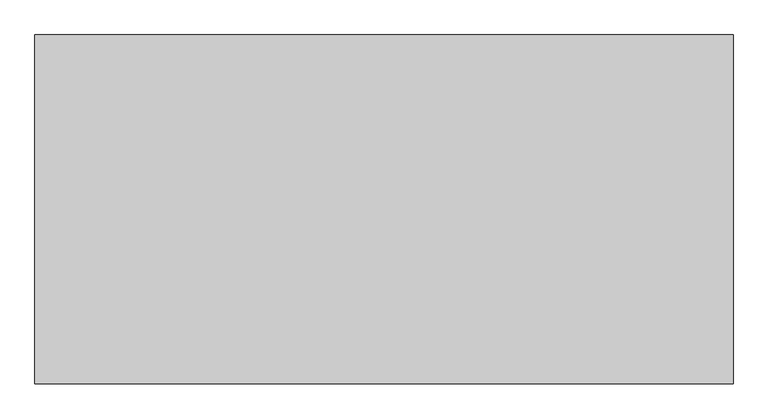
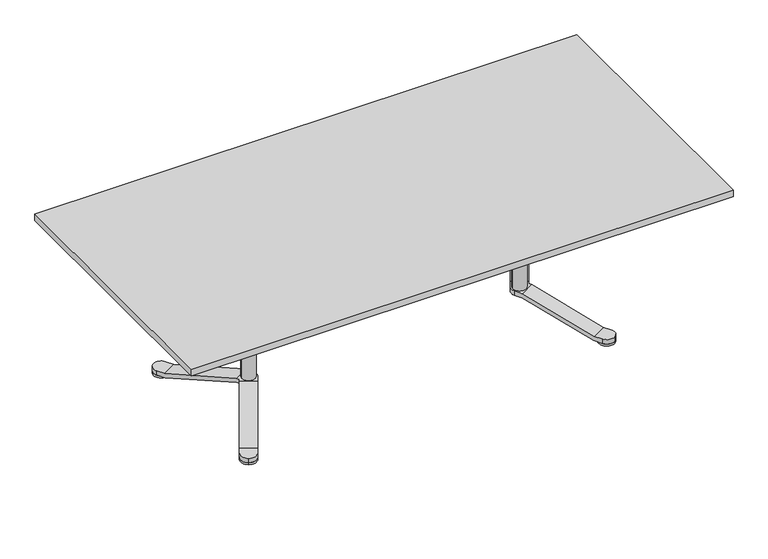
"""IFC4 building model written with IfcOpenShell, lengths in millimetres: furniture geometry."""

from ifc_helpers import new_model, si_unit, point, frame, frame_2d, origin, origin_with_axes, place, context, project, spatial, polyline, circle_curve, ellipse_curve, trimmed, segment, composite_curve, outline, extrude, source, transform, mapped, element, save
from ifc_brep_helpers import plane_surface, cylinder_surface, advanced_brep


def furniture_f56a6013(model_context):
    return source(origin(), model_context, "Body", "SolidModel", [
        advanced_brep(
        [(-373.9430973, -35.0, 695.0), (-335.0, -35.0, 695.0), (-300.0, 0.0, 695.0), (-335.0, 35.0, 695.0), (-373.9430973, 35.0, 695.0), (-370.0, -35.0, 675.0), (-370.0, 35.0, 675.0), (-335.0, 35.0, 675.0), (-300.0, 0.0, 675.0), (-335.0, -35.0, 675.0), (-568.9430973, 35.0, 615.0), (-568.9430973, 16.1390456, 615.0), (-565.0, 0.0, 616.6176809), (-568.9430973, -16.1390456, 615.0), (-568.9430973, -35.0, 615.0), (-565.0, -35.0, 595.0), (-565.0, 35.0, 595.0), (-565.0, 0.0, 619.0), (-635.0, 0.0, 619.0), (-635.0, 0.0, 615.0), (-629.5052748, -18.8265439, 615.0), (-601.5516279, -34.9655895, 615.0), (-601.5516279, 34.9655895, 615.0), (-629.5052748, 18.8265439, 615.0), (-579.7927406, -35.0, 615.0), (-579.7927406, -35.0, 595.0), (-579.7927406, 35.0, 595.0), (-579.7927406, 35.0, 615.0), (-585.2175622, -44.3960667, 615.0), (-585.2175622, 44.3960667, 615.0), (-645.8393405, 9.3960667, 615.0), (-640.4145188, 0.0, 615.0), (-645.8393405, -9.3960667, 615.0), (-587.1891109, -47.8108891, 595.0), (-647.8108891, -12.8108891, 595.0), (-640.4145188, 0.0, 595.0), (-647.8108891, 12.8108891, 595.0), (-587.1891109, 47.8108891, 595.0), (-682.7175622, 213.2710205, 695.0), (-702.1891109, 246.996732, 695.0), (-750.0, 259.8076211, 695.0), (-762.8108891, 211.996732, 695.0), (-743.3393405, 178.2710205, 695.0), (-684.6891109, 216.6858429, 675.0), (-745.3108891, 181.6858429, 675.0), (-762.8108891, 211.996732, 675.0), (-750.0, 259.8076211, 675.0), (-702.1891109, 246.996732, 675.0), (-750.0, -259.8076211, 695.0), (-702.1891109, -246.996732, 695.0), (-682.7175622, -213.2710205, 695.0), (-743.3393405, -178.2710205, 695.0), (-762.8108891, -211.996732, 695.0), (-750.0, -259.8076211, 675.0), (-762.8108891, -211.996732, 675.0), (-745.3108891, -181.6858429, 675.0), (-684.6891109, -216.6858429, 675.0), (-702.1891109, -246.996732, 675.0)],
        [
            (0, 1),
            (1, 2, circle_curve(frame((-335.0, 0.0, 695.0), z_axis=(0.0, 0.0, 1.0), x_axis=(-1.0, 0.0, 0.0)), 35.0)),
            (2, 3, circle_curve(frame((-335.0, 0.0, 695.0), z_axis=(0.0, 0.0, 1.0), x_axis=(-1.0, 0.0, 0.0)), 35.0)),
            (3, 4),
            (4, 0),
            (5, 6),
            (6, 7),
            (7, 8, circle_curve(frame((-335.0, 0.0, 675.0), z_axis=(0.0, 0.0, -1.0), x_axis=(-1.0, 0.0, 0.0)), 35.0)),
            (8, 9, circle_curve(frame((-335.0, 0.0, 675.0), z_axis=(0.0, 0.0, -1.0), x_axis=(-1.0, 0.0, 0.0)), 35.0)),
            (9, 5),
            (1, 9),
            (8, 2),
            (7, 3),
            (4, 10),
            (10, 11),
            (11, 12, ellipse_curve(frame((-600.0, 0.0, 602.2587066), z_axis=(0.37955635625630724, 0.0, -0.9251686183747454), x_axis=(0.9251686183747455, 0.0, 0.37955635625630696)), 37.8309416, 35.0)),
            (12, 13, ellipse_curve(frame((-600.0, 0.0, 602.2587066), z_axis=(0.37955635625630724, 0.0, -0.9251686183747454), x_axis=(0.9251686183747455, 0.0, 0.37955635625630696)), 37.8309416, 35.0)),
            (13, 14),
            (14, 0),
            (5, 15),
            (15, 16),
            (16, 6),
            (17, 18, circle_curve(frame((-600.0, 0.0, 619.0), z_axis=(0.0, 0.0, 1.0), x_axis=(-1.0, 0.0, 0.0)), 35.0)),
            (18, 17, circle_curve(frame((-600.0, 0.0, 619.0), z_axis=(0.0, 0.0, 1.0), x_axis=(-1.0, 0.0, 0.0)), 35.0)),
            (18, 19),
            (19, 20, circle_curve(frame((-600.0, 0.0, 615.0), z_axis=(0.0, 0.0, 1.0), x_axis=(-1.0, 0.0, 0.0)), 35.0)),
            (20, 21, ellipse_curve(frame((-600.0, 0.0, 602.2587066), z_axis=(0.18977817812817024, 0.32870544668580903, 0.9251686183747454), x_axis=(-0.46258430918741966, -0.8012195262966529, 0.37955635625630724)), 37.8309416, 35.0)),
            (21, 13, circle_curve(frame((-600.0, 0.0, 615.0), z_axis=(0.0, 0.0, 1.0), x_axis=(-1.0, 0.0, 0.0)), 35.0)),
            (12, 17),
            (11, 22, circle_curve(frame((-600.0, 0.0, 615.0), z_axis=(0.0, 0.0, 1.0), x_axis=(-1.0, 0.0, 0.0)), 35.0)),
            (22, 23, ellipse_curve(frame((-600.0, 0.0, 602.2587066), z_axis=(0.18977817812813838, -0.3287054466858273, 0.9251686183747454), x_axis=(-0.4625843091873421, 0.8012195262966977, 0.3795563562563073)), 37.8309416, 35.0)),
            (23, 19, circle_curve(frame((-600.0, 0.0, 615.0), z_axis=(0.0, 0.0, 1.0), x_axis=(-1.0, 0.0, 0.0)), 35.0)),
            (14, 24),
            (24, 25),
            (25, 15),
            (16, 26),
            (26, 27),
            (27, 10),
            (21, 28),
            (28, 24),
            (27, 29),
            (29, 22),
            (30, 31),
            (31, 32),
            (32, 20),
            (23, 30),
            (25, 33),
            (33, 34),
            (34, 35),
            (35, 36),
            (36, 37),
            (37, 26),
            (38, 39),
            (39, 40, circle_curve(frame((-732.5, 229.496732, 695.0), z_axis=(0.0, 0.0, 1.0), x_axis=(0.5000000000000033, -0.8660254037844368, 0.0)), 35.0)),
            (40, 41, circle_curve(frame((-732.5, 229.496732, 695.0), z_axis=(0.0, 0.0, 1.0), x_axis=(0.5000000000000033, -0.8660254037844368, 0.0)), 35.0)),
            (41, 42),
            (42, 38),
            (43, 44),
            (44, 45),
            (45, 46, circle_curve(frame((-732.5, 229.496732, 675.0), z_axis=(0.0, 0.0, -1.0), x_axis=(0.5000000000000033, -0.8660254037844368, 0.0)), 35.0)),
            (46, 47, circle_curve(frame((-732.5, 229.496732, 675.0), z_axis=(0.0, 0.0, -1.0), x_axis=(0.5000000000000033, -0.8660254037844368, 0.0)), 35.0)),
            (47, 43),
            (39, 47),
            (46, 40),
            (45, 41),
            (42, 30),
            (29, 38),
            (43, 37),
            (36, 44),
            (35, 31),
            (48, 49, circle_curve(frame((-732.5, -229.496732, 695.0), z_axis=(0.0, 0.0, 1.0), x_axis=(0.4999999999999982, 0.8660254037844397, 0.0)), 35.0)),
            (49, 50),
            (50, 51),
            (51, 52),
            (52, 48, circle_curve(frame((-732.5, -229.496732, 695.0), z_axis=(0.0, 0.0, 1.0), x_axis=(0.4999999999999982, 0.8660254037844397, 0.0)), 35.0)),
            (53, 54, circle_curve(frame((-732.5, -229.496732, 675.0), z_axis=(0.0, 0.0, -1.0), x_axis=(0.4999999999999982, 0.8660254037844397, 0.0)), 35.0)),
            (54, 55),
            (55, 56),
            (56, 57),
            (57, 53, circle_curve(frame((-732.5, -229.496732, 675.0), z_axis=(0.0, 0.0, -1.0), x_axis=(0.4999999999999982, 0.8660254037844397, 0.0)), 35.0)),
            (52, 54),
            (53, 48),
            (57, 49),
            (50, 28),
            (32, 51),
            (55, 34),
            (33, 56),
        ],
        [
            plane_surface(frame((-370.0, 0.0, 695.0), z_axis=(0.0, 0.0, 1.0), x_axis=(0.0, 1.0, 0.0))),
            plane_surface(frame((-370.0, 0.0, 675.0), z_axis=(0.0, 0.0, -1.0), x_axis=(0.0, -1.0, 0.0))),
            cylinder_surface(frame((-335.0, 0.0, 675.0), z_axis=(0.0, 0.0, 1.0), x_axis=(-1.0, 0.0, 0.0)), 35.0),
            plane_surface(frame((-373.9430973, -35.0, 695.0), z_axis=(-0.37955635625630724, 0.0, 0.9251686183747454), x_axis=(-0.9251686183747454, 0.0, -0.37955635625630724))),
            plane_surface(frame((-370.0, 35.0, 675.0), z_axis=(0.37955635625630724, 0.0, -0.9251686183747454), x_axis=(-0.9251686183747454, 0.0, -0.37955635625630724))),
            plane_surface(frame((-635.0, 0.0, 619.0), z_axis=(0.0, 0.0, 1.0), x_axis=(0.0, 1.0, 0.0))),
            cylinder_surface(frame((-600.0, 0.0, 595.0), z_axis=(0.0, 0.0, 1.0), x_axis=(-1.0, 0.0, 0.0)), 35.0),
            plane_surface(frame((-335.0, -35.0, 675.0), z_axis=(0.0, -1.0, 0.0), x_axis=(-1.0, 0.0, 0.0))),
            plane_surface(frame((-335.0, 35.0, 695.0), z_axis=(0.0, 1.0, 0.0), x_axis=(-1.0, 0.0, 0.0))),
            plane_surface(frame((-568.9430973, -35.0, 615.0), z_axis=(0.0, 0.0, 1.0), x_axis=(-1.0, 0.0, 0.0))),
            plane_surface(frame((-565.0, 35.0, 595.0), z_axis=(0.0, 0.0, -1.0), x_axis=(-1.0, 0.0, 0.0))),
            plane_surface(frame((-715.0, 199.1858429, 695.0), z_axis=(0.0, 0.0, 1.0000000000000002), x_axis=(-0.8660254037844368, -0.5000000000000033, 0.0))),
            plane_surface(frame((-715.0, 199.1858429, 675.0), z_axis=(0.0, 0.0, -1.0000000000000002), x_axis=(0.8660254037844368, 0.5000000000000033, 0.0))),
            cylinder_surface(frame((-732.5, 229.496732, 675.0), z_axis=(0.0, 0.0, 1.0000000000000002), x_axis=(0.5000000000000033, -0.8660254037844368, 0.0)), 35.0),
            plane_surface(frame((-682.7175622, 213.2710205, 695.0), z_axis=(0.18977817812813838, -0.3287054466858273, 0.9251686183747454), x_axis=(0.46258430918737786, -0.8012195262966771, -0.379556356256307))),
            plane_surface(frame((-745.3108891, 181.6858429, 675.0), z_axis=(-0.18977817812813805, 0.32870544668582763, -0.9251686183747454), x_axis=(0.46258430918737803, -0.801219526296677, -0.3795563562563071))),
            plane_surface(frame((-702.1891109, 246.996732, 675.0), z_axis=(0.8660254037844353, 0.500000000000006, 0.0), x_axis=(0.500000000000006, -0.8660254037844353, 0.0))),
            plane_surface(frame((-762.8108891, 211.996732, 695.0), z_axis=(-0.8660254037844354, -0.5000000000000057, 0.0), x_axis=(0.5000000000000057, -0.8660254037844354, 0.0))),
            plane_surface(frame((-715.0, -199.1858429, 695.0), z_axis=(0.0, 0.0, 1.0), x_axis=(0.8660254037844397, -0.4999999999999982, 0.0))),
            plane_surface(frame((-715.0, -199.1858429, 675.0), z_axis=(0.0, 0.0, -1.0), x_axis=(-0.8660254037844397, 0.4999999999999982, 0.0))),
            cylinder_surface(frame((-732.5, -229.496732, 675.0), z_axis=(0.0, 0.0, 1.0), x_axis=(0.4999999999999982, 0.8660254037844397, 0.0)), 35.0),
            plane_surface(frame((-743.3393405, -178.2710205, 695.0), z_axis=(0.18977817812817024, 0.32870544668580903, 0.9251686183747454), x_axis=(0.462584309187371, 0.801219526296681, -0.3795563562563072))),
            plane_surface(frame((-684.6891109, -216.6858429, 675.0), z_axis=(-0.1897781781281706, -0.32870544668580876, -0.9251686183747455), x_axis=(0.46258430918737103, 0.8012195262966811, -0.3795563562563071))),
            plane_surface(frame((-762.8108891, -211.996732, 675.0), z_axis=(-0.8660254037844399, 0.4999999999999979, 0.0), x_axis=(0.4999999999999979, 0.8660254037844399, 0.0))),
            plane_surface(frame((-702.1891109, -246.996732, 695.0), z_axis=(0.8660254037844398, -0.49999999999999806, 0.0), x_axis=(0.49999999999999806, 0.8660254037844398, 0.0))),
        ],
        [
            (0, [[1, 2, 3, 4, 5]]),
            (1, [[6, 7, 8, 9, 10]]),
            (2, [[-2, 11, -9, 12]]),
            (2, [[-8, 13, -3, -12]]),
            (3, [[14, 15, 16, 17, 18, 19, -5]]),
            (4, [[-6, 20, 21, 22]]),
            (5, [[23, 24]]),
            (6, [[25, 26, 27, 28, -17, 29, -24]]),
            (6, [[-29, -16, 30, 31, 32, -25, -23]]),
            (7, [[33, 34, 35, -20, -10, -11, -1, -19]]),
            (8, [[-4, -13, -7, -22, 36, 37, 38, -14]]),
            (9, [[-28, 39, 40, -33, -18]]),
            (9, [[-38, 41, 42, -30, -15]]),
            (9, [[43, 44, 45, -26, -32, 46]]),
            (10, [[-35, 47, 48, 49, 50, 51, 52, -36, -21]]),
            (11, [[53, 54, 55, 56, 57]]),
            (12, [[58, 59, 60, 61, 62]]),
            (13, [[-54, 63, -61, 64]]),
            (13, [[-60, 65, -55, -64]]),
            (14, [[66, -46, -31, -42, 67, -57]]),
            (15, [[-58, 68, -51, 69]]),
            (16, [[-41, -37, -52, -68, -62, -63, -53, -67]]),
            (17, [[-56, -65, -59, -69, -50, 70, -43, -66]]),
            (18, [[71, 72, 73, 74, 75]]),
            (19, [[76, 77, 78, 79, 80]]),
            (20, [[-75, 81, -76, 82]]),
            (20, [[-80, 83, -71, -82]]),
            (21, [[84, -39, -27, -45, 85, -73]]),
            (22, [[86, -48, 87, -78]]),
            (23, [[-44, -70, -49, -86, -77, -81, -74, -85]]),
            (24, [[-72, -83, -79, -87, -47, -34, -40, -84]]),
        ],
    ),
        extrude(outline(composite_curve([segment(trimmed(circle_curve(frame_2d((-793.5, 335.1518313)), 35.0), [point((-776.0, 304.8409421))], [point((-811.0, 365.4627204))], False, "CARTESIAN"), True, "CONTINUOUS"), segment(trimmed(circle_curve(frame_2d((-793.5, 335.1518313)), 35.0), [point((-811.0, 365.4627204))], [point((-776.0, 304.8409421))], False, "CARTESIAN"), True, "CONTINUOUS")], self_intersect=False)), origin_with_axes(), (0.0, 0.0, 1.0), 10.0),
        advanced_brep(
        [(-804.9373899, -284.9619717, 10.0), (-646.4373899, -10.4319187, 98.7542004), (-585.8156116, -45.4319187, 98.7542004), (-744.3156116, -319.9619717, 10.0), (-806.3108891, -287.3409421, 30.0), (-745.6891109, -322.3409421, 30.0), (-587.1891109, -47.8108891, 118.7542004), (-647.8108891, -12.8108891, 118.7542004), (-823.8108891, -317.6518313, 10.0), (-823.8108891, -317.6518313, 30.0), (-640.4145188, 0.0, 118.7542004), (-640.4145188, 0.0, 98.7542004), (-763.1891109, -352.6518313, 10.0), (-811.0, -365.4627204, 10.0), (-569.6891109, -17.5, 98.7542004), (-569.6891109, -17.5, 118.7542004), (-763.1891109, -352.6518313, 30.0), (-811.0, -365.4627204, 30.0), (-646.4373899, 10.4319187, 98.7542004), (-585.8156116, 45.4319187, 98.7542004), (-569.6891109, 17.5, 98.7542004), (-569.6891109, 17.5, 118.7542004), (-587.1891109, 47.8108891, 118.7542004), (-647.8108891, 12.8108891, 118.7542004), (-744.3156116, 319.9619717, 10.0), (-804.9373899, 284.9619717, 10.0), (-745.6891109, 322.3409421, 30.0), (-806.3108891, 287.3409421, 30.0), (-763.1891109, 352.6518313, 10.0), (-763.1891109, 352.6518313, 30.0), (-823.8108891, 317.6518313, 10.0), (-811.0, 365.4627204, 10.0), (-823.8108891, 317.6518313, 30.0), (-811.0, 365.4627204, 30.0)],
        [
            (0, 1),
            (1, 2),
            (2, 3),
            (3, 0),
            (4, 5),
            (5, 6),
            (6, 7),
            (7, 4),
            (0, 8),
            (8, 9),
            (9, 4),
            (7, 10),
            (10, 11),
            (11, 1),
            (3, 12),
            (12, 13, circle_curve(frame((-793.5, -335.1518313, 10.0), z_axis=(0.0, 0.0, -1.0), x_axis=(0.49999999999999245, 0.866025403784443, 0.0)), 35.0)),
            (13, 8, circle_curve(frame((-793.5, -335.1518313, 10.0), z_axis=(0.0, 0.0, -1.0), x_axis=(0.49999999999999245, 0.866025403784443, 0.0)), 35.0)),
            (2, 14),
            (14, 15),
            (15, 6),
            (5, 16),
            (16, 12),
            (9, 17, circle_curve(frame((-793.5, -335.1518313, 30.0), z_axis=(0.0, 0.0, 1.0), x_axis=(0.49999999999999245, 0.866025403784443, 0.0)), 35.0)),
            (17, 16, circle_curve(frame((-793.5, -335.1518313, 30.0), z_axis=(0.0, 0.0, 1.0), x_axis=(0.49999999999999245, 0.866025403784443, 0.0)), 35.0)),
            (11, 18),
            (18, 19),
            (19, 20),
            (20, 14, circle_curve(frame((-600.0, 0.0, 98.7542004), z_axis=(0.0, 0.0, -1.0), x_axis=(-0.499999999999998, -0.8660254037844398, 0.0)), 35.0)),
            (15, 21, circle_curve(frame((-600.0, 0.0, 118.7542004), z_axis=(0.0, 0.0, 1.0), x_axis=(-0.499999999999998, -0.8660254037844398, 0.0)), 35.0)),
            (21, 22),
            (22, 23),
            (23, 10),
            (17, 13),
            (24, 19),
            (18, 25),
            (25, 24),
            (26, 27),
            (27, 23),
            (22, 26),
            (24, 28),
            (28, 29),
            (29, 26),
            (21, 20),
            (25, 30),
            (30, 31, circle_curve(frame((-793.5, 335.1518313, 10.0), z_axis=(0.0, 0.0, -1.0), x_axis=(0.5000000000000067, -0.8660254037844348, 0.0)), 35.0)),
            (31, 28, circle_curve(frame((-793.5, 335.1518313, 10.0), z_axis=(0.0, 0.0, -1.0), x_axis=(0.5000000000000067, -0.8660254037844348, 0.0)), 35.0)),
            (27, 32),
            (32, 30),
            (29, 33, circle_curve(frame((-793.5, 335.1518313, 30.0), z_axis=(0.0, 0.0, 1.0), x_axis=(0.5000000000000067, -0.8660254037844348, 0.0)), 35.0)),
            (33, 32, circle_curve(frame((-793.5, 335.1518313, 30.0), z_axis=(0.0, 0.0, 1.0), x_axis=(0.5000000000000067, -0.8660254037844348, 0.0)), 35.0)),
            (33, 31),
        ],
        [
            plane_surface(frame((-744.3156116, -319.9619717, 10.0), z_axis=(0.13480679420202513, 0.23349221676335374, -0.9629685939572007), x_axis=(0.4814842969785931, 0.833955265413522, 0.26961358840401967))),
            plane_surface(frame((-806.3108891, -287.3409421, 30.0), z_axis=(-0.13480679420202557, -0.2334922167633536, 0.9629685939572008), x_axis=(0.481484296978593, 0.833955265413522, 0.2696135884040197))),
            plane_surface(frame((-823.8108891, -317.6518313, 10.0), z_axis=(-0.8660254037844429, 0.49999999999999256, 0.0), x_axis=(0.49999999999999256, 0.8660254037844429, 0.0))),
            plane_surface(frame((-763.1891109, -352.6518313, 10.0), z_axis=(0.0, 0.0, -1.0), x_axis=(0.4999999999999921, 0.8660254037844433, 0.0))),
            plane_surface(frame((-763.1891109, -352.6518313, 30.0), z_axis=(0.8660254037844428, -0.49999999999999295, 0.0), x_axis=(0.49999999999999295, 0.8660254037844428, 0.0))),
            plane_surface(frame((-823.8108891, -317.6518313, 30.0), z_axis=(0.0, 0.0, 1.0), x_axis=(0.49999999999999256, 0.8660254037844429, 0.0))),
            plane_surface(frame((-585.8156116, -45.4319187, 98.7542004), z_axis=(0.0, 0.0, -1.0), x_axis=(0.4999999999999923, 0.8660254037844431, 0.0))),
            plane_surface(frame((-647.8108891, -12.8108891, 118.7542004), z_axis=(0.0, 0.0, 1.0), x_axis=(0.49999999999999234, 0.8660254037844431, 0.0))),
            cylinder_surface(frame((-793.5, -335.1518313, 10.0), z_axis=(0.0, 0.0, 1.0), x_axis=(0.49999999999999245, 0.866025403784443, 0.0)), 35.0),
            plane_surface(frame((-804.9373899, 284.9619717, 10.0), z_axis=(0.13480679420199432, -0.23349221676337148, -0.9629685939572008), x_axis=(0.48148429697860684, -0.8339552654135142, 0.2696135884040196))),
            plane_surface(frame((-745.6891109, 322.3409421, 30.0), z_axis=(-0.13480679420199398, 0.23349221676337176, 0.9629685939572007), x_axis=(0.4814842969786067, -0.8339552654135141, 0.26961358840401967))),
            plane_surface(frame((-763.1891109, 352.6518313, 10.0), z_axis=(0.8660254037844345, 0.5000000000000074, 0.0), x_axis=(0.5000000000000074, -0.8660254037844345, 0.0))),
            plane_surface(frame((-823.8108891, 317.6518313, 10.0), z_axis=(0.0, 0.0, -1.0), x_axis=(0.500000000000008, -0.866025403784434, 0.0))),
            plane_surface(frame((-823.8108891, 317.6518313, 30.0), z_axis=(-0.8660254037844347, -0.5000000000000069, 0.0), x_axis=(0.5000000000000069, -0.8660254037844347, 0.0))),
            plane_surface(frame((-763.1891109, 352.6518313, 30.0), z_axis=(0.0, 0.0, 1.0), x_axis=(0.5000000000000078, -0.8660254037844342, 0.0))),
            cylinder_surface(frame((-793.5, 335.1518313, 10.0), z_axis=(0.0, 0.0, 1.0), x_axis=(0.5000000000000067, -0.8660254037844348, 0.0)), 35.0),
            cylinder_surface(frame((-600.0, 0.0, 98.7542004), z_axis=(0.0, 0.0, 1.0), x_axis=(-0.499999999999998, -0.8660254037844398, 0.0)), 35.0),
        ],
        [
            (0, [[1, 2, 3, 4]]),
            (1, [[5, 6, 7, 8]]),
            (2, [[9, 10, 11, -8, 12, 13, 14, -1]]),
            (3, [[15, 16, 17, -9, -4]]),
            (4, [[18, 19, 20, -6, 21, 22, -15, -3]]),
            (5, [[23, 24, -21, -5, -11]]),
            (6, [[-2, -14, 25, 26, 27, 28, -18]]),
            (7, [[29, 30, 31, 32, -12, -7, -20]]),
            (8, [[-16, -22, -24, 33]]),
            (8, [[-23, -10, -17, -33]]),
            (9, [[34, -26, 35, 36]]),
            (10, [[37, 38, -31, 39]]),
            (11, [[40, 41, 42, -39, -30, 43, -27, -34]]),
            (12, [[44, 45, 46, -40, -36]]),
            (13, [[-25, -13, -32, -38, 47, 48, -44, -35]]),
            (14, [[49, 50, -47, -37, -42]]),
            (15, [[-45, -48, -50, 51]]),
            (15, [[-49, -41, -46, -51]]),
            (16, [[-19, -28, -43, -29]]),
        ],
    ),
        extrude(outline(composite_curve([segment(trimmed(circle_curve(frame_2d((-600.0, 0.0)), 30.0), [point((-570.0, 0.0))], [point((-630.0, 0.0))], False, "CARTESIAN"), True, "CONTINUOUS"), segment(trimmed(circle_curve(frame_2d((-600.0, 0.0)), 30.0), [point((-630.0, 0.0))], [point((-570.0, 0.0))], False, "CARTESIAN"), True, "CONTINUOUS")], self_intersect=False)), frame((0.0, 0.0, 118.7542004), z_axis=(0.0, 0.0, 1.0), x_axis=(1.0, 0.0, 0.0)), (0.0, 0.0, 1.0), 476.2457996),
        extrude(outline(composite_curve([segment(trimmed(circle_curve(frame_2d((-793.5, -335.1518313)), 35.0), [point((-776.0, -304.8409421))], [point((-811.0, -365.4627204))], False, "CARTESIAN"), True, "CONTINUOUS"), segment(trimmed(circle_curve(frame_2d((-793.5, -335.1518313)), 35.0), [point((-811.0, -365.4627204))], [point((-776.0, -304.8409421))], False, "CARTESIAN"), True, "CONTINUOUS")], self_intersect=False)), origin_with_axes(), (0.0, 0.0, 1.0), 10.0),
        advanced_brep(
        [(373.9430973, -35.0, 695.0), (373.9430973, 35.0, 695.0), (335.0, 35.0, 695.0), (300.0, 0.0, 695.0), (335.0, -35.0, 695.0), (370.0, -35.0, 675.0), (335.0, -35.0, 675.0), (300.0, 0.0, 675.0), (335.0, 35.0, 675.0), (370.0, 35.0, 675.0), (568.9430973, -35.0, 615.0), (568.9430973, -16.1390456, 615.0), (565.0, 0.0, 616.6176809), (568.9430973, 16.1390456, 615.0), (568.9430973, 35.0, 615.0), (565.0, 35.0, 595.0), (565.0, -35.0, 595.0), (565.0, 0.0, 619.0), (635.0, 0.0, 619.0), (601.5516279, -34.9655895, 615.0), (629.5052748, -18.8265439, 615.0), (635.0, 0.0, 615.0), (629.5052748, 18.8265439, 615.0), (601.5516279, 34.9655895, 615.0), (579.7927406, -35.0, 595.0), (579.7927406, -35.0, 615.0), (579.7927406, 35.0, 615.0), (579.7927406, 35.0, 595.0), (585.2175622, -44.3960667, 615.0), (585.2175622, 44.3960667, 615.0), (645.8393405, 9.3960667, 615.0), (645.8393405, -9.3960667, 615.0), (640.4145188, 0.0, 615.0), (587.1891109, 47.8108891, 595.0), (647.8108891, 12.8108891, 595.0), (640.4145188, 0.0, 595.0), (647.8108891, -12.8108891, 595.0), (587.1891109, -47.8108891, 595.0), (682.7175622, 213.2710205, 695.0), (743.3393405, 178.2710205, 695.0), (762.8108891, 211.996732, 695.0), (750.0, 259.8076211, 695.0), (702.1891109, 246.996732, 695.0), (684.6891109, 216.6858429, 675.0), (702.1891109, 246.996732, 675.0), (750.0, 259.8076211, 675.0), (762.8108891, 211.996732, 675.0), (745.3108891, 181.6858429, 675.0), (750.0, -259.8076211, 695.0), (762.8108891, -211.996732, 695.0), (743.3393405, -178.2710205, 695.0), (682.7175622, -213.2710205, 695.0), (702.1891109, -246.996732, 695.0), (750.0, -259.8076211, 675.0), (702.1891109, -246.996732, 675.0), (684.6891109, -216.6858429, 675.0), (745.3108891, -181.6858429, 675.0), (762.8108891, -211.996732, 675.0)],
        [
            (0, 1),
            (1, 2),
            (2, 3, circle_curve(frame((335.0, 0.0, 695.0), z_axis=(0.0, 0.0, 1.0), x_axis=(1.0, 0.0, 0.0)), 35.0)),
            (3, 4, circle_curve(frame((335.0, 0.0, 695.0), z_axis=(0.0, 0.0, 1.0), x_axis=(1.0, 0.0, 0.0)), 35.0)),
            (4, 0),
            (5, 6),
            (6, 7, circle_curve(frame((335.0, 0.0, 675.0), z_axis=(0.0, 0.0, -1.0), x_axis=(1.0, 0.0, 0.0)), 35.0)),
            (7, 8, circle_curve(frame((335.0, 0.0, 675.0), z_axis=(0.0, 0.0, -1.0), x_axis=(1.0, 0.0, 0.0)), 35.0)),
            (8, 9),
            (9, 5),
            (3, 7),
            (6, 4),
            (2, 8),
            (0, 10),
            (10, 11),
            (11, 12, ellipse_curve(frame((600.0, 0.0, 602.2587066), z_axis=(-0.37955635625630724, 0.0, -0.9251686183747454), x_axis=(-0.9251686183747455, 0.0, 0.37955635625630696)), 37.8309416, 35.0)),
            (12, 13, ellipse_curve(frame((600.0, 0.0, 602.2587066), z_axis=(-0.37955635625630724, 0.0, -0.9251686183747454), x_axis=(-0.9251686183747455, 0.0, 0.37955635625630696)), 37.8309416, 35.0)),
            (13, 14),
            (14, 1),
            (9, 15),
            (15, 16),
            (16, 5),
            (17, 18, circle_curve(frame((600.0, 0.0, 619.0), z_axis=(0.0, 0.0, 1.0), x_axis=(1.0, 0.0, 0.0)), 35.0)),
            (18, 17, circle_curve(frame((600.0, 0.0, 619.0), z_axis=(0.0, 0.0, 1.0), x_axis=(1.0, 0.0, 0.0)), 35.0)),
            (17, 12),
            (11, 19, circle_curve(frame((600.0, 0.0, 615.0), z_axis=(0.0, 0.0, 1.0), x_axis=(1.0, 0.0, 0.0)), 35.0)),
            (19, 20, ellipse_curve(frame((600.0, 0.0, 602.2587066), z_axis=(-0.18977817812817024, 0.32870544668580903, 0.9251686183747454), x_axis=(0.46258430918741966, -0.8012195262966529, 0.37955635625630724)), 37.8309416, 35.0)),
            (20, 21, circle_curve(frame((600.0, 0.0, 615.0), z_axis=(0.0, 0.0, 1.0), x_axis=(1.0, 0.0, 0.0)), 35.0)),
            (21, 18),
            (21, 22, circle_curve(frame((600.0, 0.0, 615.0), z_axis=(0.0, 0.0, 1.0), x_axis=(1.0, 0.0, 0.0)), 35.0)),
            (22, 23, ellipse_curve(frame((600.0, 0.0, 602.2587066), z_axis=(-0.18977817812813838, -0.3287054466858273, 0.9251686183747454), x_axis=(0.4625843091873421, 0.8012195262966977, 0.3795563562563073)), 37.8309416, 35.0)),
            (23, 13, circle_curve(frame((600.0, 0.0, 615.0), z_axis=(0.0, 0.0, 1.0), x_axis=(1.0, 0.0, 0.0)), 35.0)),
            (16, 24),
            (24, 25),
            (25, 10),
            (14, 26),
            (26, 27),
            (27, 15),
            (25, 28),
            (28, 19),
            (23, 29),
            (29, 26),
            (30, 22),
            (20, 31),
            (31, 32),
            (32, 30),
            (27, 33),
            (33, 34),
            (34, 35),
            (35, 36),
            (36, 37),
            (37, 24),
            (38, 39),
            (39, 40),
            (40, 41, circle_curve(frame((732.5, 229.496732, 695.0), z_axis=(0.0, 0.0, 1.0), x_axis=(-0.5000000000000033, -0.8660254037844368, 0.0)), 35.0)),
            (41, 42, circle_curve(frame((732.5, 229.496732, 695.0), z_axis=(0.0, 0.0, 1.0), x_axis=(-0.5000000000000033, -0.8660254037844368, 0.0)), 35.0)),
            (42, 38),
            (43, 44),
            (44, 45, circle_curve(frame((732.5, 229.496732, 675.0), z_axis=(0.0, 0.0, -1.0), x_axis=(-0.5000000000000033, -0.8660254037844368, 0.0)), 35.0)),
            (45, 46, circle_curve(frame((732.5, 229.496732, 675.0), z_axis=(0.0, 0.0, -1.0), x_axis=(-0.5000000000000033, -0.8660254037844368, 0.0)), 35.0)),
            (46, 47),
            (47, 43),
            (41, 45),
            (44, 42),
            (40, 46),
            (38, 29),
            (30, 39),
            (47, 34),
            (33, 43),
            (32, 35),
            (48, 49, circle_curve(frame((732.5, -229.496732, 695.0), z_axis=(0.0, 0.0, 1.0), x_axis=(-0.4999999999999982, 0.8660254037844397, 0.0)), 35.0)),
            (49, 50),
            (50, 51),
            (51, 52),
            (52, 48, circle_curve(frame((732.5, -229.496732, 695.0), z_axis=(0.0, 0.0, 1.0), x_axis=(-0.4999999999999982, 0.8660254037844397, 0.0)), 35.0)),
            (53, 54, circle_curve(frame((732.5, -229.496732, 675.0), z_axis=(0.0, 0.0, -1.0), x_axis=(-0.4999999999999982, 0.8660254037844397, 0.0)), 35.0)),
            (54, 55),
            (55, 56),
            (56, 57),
            (57, 53, circle_curve(frame((732.5, -229.496732, 675.0), z_axis=(0.0, 0.0, -1.0), x_axis=(-0.4999999999999982, 0.8660254037844397, 0.0)), 35.0)),
            (48, 53),
            (57, 49),
            (52, 54),
            (50, 31),
            (28, 51),
            (55, 37),
            (36, 56),
        ],
        [
            plane_surface(frame((370.0, 0.0, 695.0), z_axis=(0.0, 0.0, 1.0), x_axis=(0.0, 1.0, 0.0))),
            plane_surface(frame((370.0, 0.0, 675.0), z_axis=(0.0, 0.0, -1.0), x_axis=(0.0, -1.0, 0.0))),
            cylinder_surface(frame((335.0, 0.0, 675.0), z_axis=(0.0, 0.0, 1.0), x_axis=(1.0, 0.0, 0.0)), 35.0),
            plane_surface(frame((373.9430973, -35.0, 695.0), z_axis=(0.37955635625630724, 0.0, 0.9251686183747454), x_axis=(0.9251686183747454, 0.0, -0.37955635625630724))),
            plane_surface(frame((370.0, 35.0, 675.0), z_axis=(-0.37955635625630724, 0.0, -0.9251686183747454), x_axis=(0.9251686183747454, 0.0, -0.37955635625630724))),
            plane_surface(frame((635.0, 0.0, 619.0), z_axis=(0.0, 0.0, 1.0), x_axis=(0.0, 1.0, 0.0))),
            cylinder_surface(frame((600.0, 0.0, 595.0), z_axis=(0.0, 0.0, 1.0), x_axis=(1.0, 0.0, 0.0)), 35.0),
            plane_surface(frame((335.0, -35.0, 675.0), z_axis=(0.0, -1.0, 0.0), x_axis=(1.0, 0.0, 0.0))),
            plane_surface(frame((335.0, 35.0, 695.0), z_axis=(0.0, 1.0, 0.0), x_axis=(1.0, 0.0, 0.0))),
            plane_surface(frame((568.9430973, -35.0, 615.0), z_axis=(0.0, 0.0, 1.0), x_axis=(1.0, 0.0, 0.0))),
            plane_surface(frame((565.0, 35.0, 595.0), z_axis=(0.0, 0.0, -1.0), x_axis=(1.0, 0.0, 0.0))),
            plane_surface(frame((715.0, 199.1858429, 695.0), z_axis=(0.0, 0.0, 1.0000000000000002), x_axis=(0.8660254037844368, -0.5000000000000033, 0.0))),
            plane_surface(frame((715.0, 199.1858429, 675.0), z_axis=(0.0, 0.0, -1.0000000000000002), x_axis=(-0.8660254037844368, 0.5000000000000033, 0.0))),
            cylinder_surface(frame((732.5, 229.496732, 675.0), z_axis=(0.0, 0.0, 1.0000000000000002), x_axis=(-0.5000000000000033, -0.8660254037844368, 0.0)), 35.0),
            plane_surface(frame((682.7175622, 213.2710205, 695.0), z_axis=(-0.18977817812813838, -0.3287054466858273, 0.9251686183747454), x_axis=(-0.46258430918737786, -0.8012195262966771, -0.379556356256307))),
            plane_surface(frame((745.3108891, 181.6858429, 675.0), z_axis=(0.18977817812813805, 0.32870544668582763, -0.9251686183747454), x_axis=(-0.46258430918737803, -0.801219526296677, -0.3795563562563071))),
            plane_surface(frame((702.1891109, 246.996732, 675.0), z_axis=(-0.8660254037844353, 0.500000000000006, 0.0), x_axis=(-0.500000000000006, -0.8660254037844353, 0.0))),
            plane_surface(frame((762.8108891, 211.996732, 695.0), z_axis=(0.8660254037844354, -0.5000000000000057, 0.0), x_axis=(-0.5000000000000057, -0.8660254037844354, 0.0))),
            plane_surface(frame((715.0, -199.1858429, 695.0), z_axis=(0.0, 0.0, 1.0), x_axis=(-0.8660254037844397, -0.4999999999999982, 0.0))),
            plane_surface(frame((715.0, -199.1858429, 675.0), z_axis=(0.0, 0.0, -1.0), x_axis=(0.8660254037844397, 0.4999999999999982, 0.0))),
            cylinder_surface(frame((732.5, -229.496732, 675.0), z_axis=(0.0, 0.0, 1.0), x_axis=(-0.4999999999999982, 0.8660254037844397, 0.0)), 35.0),
            plane_surface(frame((743.3393405, -178.2710205, 695.0), z_axis=(-0.18977817812817024, 0.32870544668580903, 0.9251686183747454), x_axis=(-0.462584309187371, 0.801219526296681, -0.3795563562563072))),
            plane_surface(frame((684.6891109, -216.6858429, 675.0), z_axis=(0.1897781781281706, -0.32870544668580876, -0.9251686183747455), x_axis=(-0.46258430918737103, 0.8012195262966811, -0.3795563562563071))),
            plane_surface(frame((762.8108891, -211.996732, 675.0), z_axis=(0.8660254037844399, 0.4999999999999979, 0.0), x_axis=(-0.4999999999999979, 0.8660254037844399, 0.0))),
            plane_surface(frame((702.1891109, -246.996732, 695.0), z_axis=(-0.8660254037844398, -0.49999999999999806, 0.0), x_axis=(-0.49999999999999806, 0.8660254037844398, 0.0))),
        ],
        [
            (0, [[1, 2, 3, 4, 5]]),
            (1, [[6, 7, 8, 9, 10]]),
            (2, [[11, -7, 12, -4]]),
            (2, [[-11, -3, 13, -8]]),
            (3, [[-1, 14, 15, 16, 17, 18, 19]]),
            (4, [[20, 21, 22, -10]]),
            (5, [[23, 24]]),
            (6, [[-23, 25, -16, 26, 27, 28, 29]]),
            (6, [[-24, -29, 30, 31, 32, -17, -25]]),
            (7, [[-14, -5, -12, -6, -22, 33, 34, 35]]),
            (8, [[-19, 36, 37, 38, -20, -9, -13, -2]]),
            (9, [[-15, -35, 39, 40, -26]]),
            (9, [[-18, -32, 41, 42, -36]]),
            (9, [[43, -30, -28, 44, 45, 46]]),
            (10, [[-21, -38, 47, 48, 49, 50, 51, 52, -33]]),
            (11, [[53, 54, 55, 56, 57]]),
            (12, [[58, 59, 60, 61, 62]]),
            (13, [[63, -59, 64, -56]]),
            (13, [[-63, -55, 65, -60]]),
            (14, [[-53, 66, -41, -31, -43, 67]]),
            (15, [[68, -48, 69, -62]]),
            (16, [[-66, -57, -64, -58, -69, -47, -37, -42]]),
            (17, [[-67, -46, 70, -49, -68, -61, -65, -54]]),
            (18, [[71, 72, 73, 74, 75]]),
            (19, [[76, 77, 78, 79, 80]]),
            (20, [[81, -80, 82, -71]]),
            (20, [[-81, -75, 83, -76]]),
            (21, [[-73, 84, -44, -27, -40, 85]]),
            (22, [[-78, 86, -51, 87]]),
            (23, [[-84, -72, -82, -79, -87, -50, -70, -45]]),
            (24, [[-85, -39, -34, -52, -86, -77, -83, -74]]),
        ],
    ),
        extrude(outline(composite_curve([segment(trimmed(circle_curve(frame_2d((793.5, 335.1518313)), 35.0), [point((776.0, 304.8409421))], [point((811.0, 365.4627204))], False, "CARTESIAN"), True, "CONTINUOUS"), segment(trimmed(circle_curve(frame_2d((793.5, 335.1518313)), 35.0), [point((811.0, 365.4627204))], [point((776.0, 304.8409421))], False, "CARTESIAN"), True, "CONTINUOUS")], self_intersect=False)), origin_with_axes(), (0.0, 0.0, 1.0), 10.0),
        advanced_brep(
        [(804.9373899, -284.9619717, 10.0), (744.3156116, -319.9619717, 10.0), (585.8156116, -45.4319187, 98.7542004), (646.4373899, -10.4319187, 98.7542004), (806.3108891, -287.3409421, 30.0), (647.8108891, -12.8108891, 118.7542004), (587.1891109, -47.8108891, 118.7542004), (745.6891109, -322.3409421, 30.0), (640.4145188, 0.0, 98.7542004), (640.4145188, 0.0, 118.7542004), (823.8108891, -317.6518313, 30.0), (823.8108891, -317.6518313, 10.0), (811.0, -365.4627204, 10.0), (763.1891109, -352.6518313, 10.0), (763.1891109, -352.6518313, 30.0), (569.6891109, -17.5, 118.7542004), (569.6891109, -17.5, 98.7542004), (811.0, -365.4627204, 30.0), (569.6891109, 17.5, 98.7542004), (585.8156116, 45.4319187, 98.7542004), (646.4373899, 10.4319187, 98.7542004), (647.8108891, 12.8108891, 118.7542004), (587.1891109, 47.8108891, 118.7542004), (569.6891109, 17.5, 118.7542004), (744.3156116, 319.9619717, 10.0), (804.9373899, 284.9619717, 10.0), (745.6891109, 322.3409421, 30.0), (806.3108891, 287.3409421, 30.0), (763.1891109, 352.6518313, 30.0), (763.1891109, 352.6518313, 10.0), (811.0, 365.4627204, 10.0), (823.8108891, 317.6518313, 10.0), (823.8108891, 317.6518313, 30.0), (811.0, 365.4627204, 30.0)],
        [
            (0, 1),
            (1, 2),
            (2, 3),
            (3, 0),
            (4, 5),
            (5, 6),
            (6, 7),
            (7, 4),
            (3, 8),
            (8, 9),
            (9, 5),
            (4, 10),
            (10, 11),
            (11, 0),
            (11, 12, circle_curve(frame((793.5, -335.1518313, 10.0), z_axis=(0.0, 0.0, -1.0), x_axis=(-0.49999999999999245, 0.866025403784443, 0.0)), 35.0)),
            (12, 13, circle_curve(frame((793.5, -335.1518313, 10.0), z_axis=(0.0, 0.0, -1.0), x_axis=(-0.49999999999999245, 0.866025403784443, 0.0)), 35.0)),
            (13, 1),
            (13, 14),
            (14, 7),
            (6, 15),
            (15, 16),
            (16, 2),
            (14, 17, circle_curve(frame((793.5, -335.1518313, 30.0), z_axis=(0.0, 0.0, 1.0), x_axis=(-0.49999999999999245, 0.866025403784443, 0.0)), 35.0)),
            (17, 10, circle_curve(frame((793.5, -335.1518313, 30.0), z_axis=(0.0, 0.0, 1.0), x_axis=(-0.49999999999999245, 0.866025403784443, 0.0)), 35.0)),
            (16, 18, circle_curve(frame((600.0, 0.0, 98.7542004), z_axis=(0.0, 0.0, -1.0), x_axis=(0.499999999999998, -0.8660254037844398, 0.0)), 35.0)),
            (18, 19),
            (19, 20),
            (20, 8),
            (9, 21),
            (21, 22),
            (22, 23),
            (23, 15, circle_curve(frame((600.0, 0.0, 118.7542004), z_axis=(0.0, 0.0, 1.0), x_axis=(0.499999999999998, -0.8660254037844398, 0.0)), 35.0)),
            (12, 17),
            (24, 25),
            (25, 20),
            (19, 24),
            (26, 22),
            (21, 27),
            (27, 26),
            (18, 23),
            (26, 28),
            (28, 29),
            (29, 24),
            (29, 30, circle_curve(frame((793.5, 335.1518313, 10.0), z_axis=(0.0, 0.0, -1.0), x_axis=(-0.5000000000000067, -0.8660254037844348, 0.0)), 35.0)),
            (30, 31, circle_curve(frame((793.5, 335.1518313, 10.0), z_axis=(0.0, 0.0, -1.0), x_axis=(-0.5000000000000067, -0.8660254037844348, 0.0)), 35.0)),
            (31, 25),
            (31, 32),
            (32, 27),
            (32, 33, circle_curve(frame((793.5, 335.1518313, 30.0), z_axis=(0.0, 0.0, 1.0), x_axis=(-0.5000000000000067, -0.8660254037844348, 0.0)), 35.0)),
            (33, 28, circle_curve(frame((793.5, 335.1518313, 30.0), z_axis=(0.0, 0.0, 1.0), x_axis=(-0.5000000000000067, -0.8660254037844348, 0.0)), 35.0)),
            (30, 33),
        ],
        [
            plane_surface(frame((744.3156116, -319.9619717, 10.0), z_axis=(-0.13480679420202513, 0.23349221676335374, -0.9629685939572007), x_axis=(-0.4814842969785931, 0.833955265413522, 0.26961358840401967))),
            plane_surface(frame((806.3108891, -287.3409421, 30.0), z_axis=(0.13480679420202557, -0.2334922167633536, 0.9629685939572008), x_axis=(-0.481484296978593, 0.833955265413522, 0.2696135884040197))),
            plane_surface(frame((823.8108891, -317.6518313, 10.0), z_axis=(0.8660254037844429, 0.49999999999999256, 0.0), x_axis=(-0.49999999999999256, 0.8660254037844429, 0.0))),
            plane_surface(frame((763.1891109, -352.6518313, 10.0), z_axis=(0.0, 0.0, -1.0), x_axis=(-0.4999999999999921, 0.8660254037844433, 0.0))),
            plane_surface(frame((763.1891109, -352.6518313, 30.0), z_axis=(-0.8660254037844428, -0.49999999999999295, 0.0), x_axis=(-0.49999999999999295, 0.8660254037844428, 0.0))),
            plane_surface(frame((823.8108891, -317.6518313, 30.0), z_axis=(0.0, 0.0, 1.0), x_axis=(-0.49999999999999256, 0.8660254037844429, 0.0))),
            plane_surface(frame((585.8156116, -45.4319187, 98.7542004), z_axis=(0.0, 0.0, -1.0), x_axis=(-0.4999999999999923, 0.8660254037844431, 0.0))),
            plane_surface(frame((647.8108891, -12.8108891, 118.7542004), z_axis=(0.0, 0.0, 1.0), x_axis=(-0.49999999999999234, 0.8660254037844431, 0.0))),
            cylinder_surface(frame((793.5, -335.1518313, 10.0), z_axis=(0.0, 0.0, 1.0), x_axis=(-0.49999999999999245, 0.866025403784443, 0.0)), 35.0),
            plane_surface(frame((804.9373899, 284.9619717, 10.0), z_axis=(-0.13480679420199432, -0.23349221676337148, -0.9629685939572008), x_axis=(-0.48148429697860684, -0.8339552654135142, 0.2696135884040196))),
            plane_surface(frame((745.6891109, 322.3409421, 30.0), z_axis=(0.13480679420199398, 0.23349221676337176, 0.9629685939572007), x_axis=(-0.4814842969786067, -0.8339552654135141, 0.26961358840401967))),
            plane_surface(frame((763.1891109, 352.6518313, 10.0), z_axis=(-0.8660254037844345, 0.5000000000000074, 0.0), x_axis=(-0.5000000000000074, -0.8660254037844345, 0.0))),
            plane_surface(frame((823.8108891, 317.6518313, 10.0), z_axis=(0.0, 0.0, -1.0), x_axis=(-0.500000000000008, -0.866025403784434, 0.0))),
            plane_surface(frame((823.8108891, 317.6518313, 30.0), z_axis=(0.8660254037844347, -0.5000000000000069, 0.0), x_axis=(-0.5000000000000069, -0.8660254037844347, 0.0))),
            plane_surface(frame((763.1891109, 352.6518313, 30.0), z_axis=(0.0, 0.0, 1.0), x_axis=(-0.5000000000000078, -0.8660254037844342, 0.0))),
            cylinder_surface(frame((793.5, 335.1518313, 10.0), z_axis=(0.0, 0.0, 1.0), x_axis=(-0.5000000000000067, -0.8660254037844348, 0.0)), 35.0),
            cylinder_surface(frame((600.0, 0.0, 98.7542004), z_axis=(0.0, 0.0, 1.0), x_axis=(0.499999999999998, -0.8660254037844398, 0.0)), 35.0),
        ],
        [
            (0, [[1, 2, 3, 4]]),
            (1, [[5, 6, 7, 8]]),
            (2, [[-4, 9, 10, 11, -5, 12, 13, 14]]),
            (3, [[-1, -14, 15, 16, 17]]),
            (4, [[-2, -17, 18, 19, -7, 20, 21, 22]]),
            (5, [[-12, -8, -19, 23, 24]]),
            (6, [[-22, 25, 26, 27, 28, -9, -3]]),
            (7, [[-20, -6, -11, 29, 30, 31, 32]]),
            (8, [[33, -23, -18, -16]]),
            (8, [[-33, -15, -13, -24]]),
            (9, [[34, 35, -27, 36]]),
            (10, [[37, -30, 38, 39]]),
            (11, [[-36, -26, 40, -31, -37, 41, 42, 43]]),
            (12, [[-34, -43, 44, 45, 46]]),
            (13, [[-35, -46, 47, 48, -38, -29, -10, -28]]),
            (14, [[-41, -39, -48, 49, 50]]),
            (15, [[51, -49, -47, -45]]),
            (15, [[-51, -44, -42, -50]]),
            (16, [[-32, -40, -25, -21]]),
        ],
    ),
        extrude(outline(composite_curve([segment(trimmed(circle_curve(frame_2d((600.0, 0.0)), 30.0), [point((570.0, 0.0))], [point((630.0, 0.0))], False, "CARTESIAN"), True, "CONTINUOUS"), segment(trimmed(circle_curve(frame_2d((600.0, 0.0)), 30.0), [point((630.0, 0.0))], [point((570.0, 0.0))], False, "CARTESIAN"), True, "CONTINUOUS")], self_intersect=False)), frame((0.0, 0.0, 118.7542004), z_axis=(0.0, 0.0, 1.0), x_axis=(1.0, 0.0, 0.0)), (0.0, 0.0, 1.0), 476.2457996),
        extrude(outline(composite_curve([segment(trimmed(circle_curve(frame_2d((793.5, -335.1518313)), 35.0), [point((776.0, -304.8409421))], [point((811.0, -365.4627204))], False, "CARTESIAN"), True, "CONTINUOUS"), segment(trimmed(circle_curve(frame_2d((793.5, -335.1518313)), 35.0), [point((811.0, -365.4627204))], [point((776.0, -304.8409421))], False, "CARTESIAN"), True, "CONTINUOUS")], self_intersect=False)), origin_with_axes(), (0.0, 0.0, 1.0), 10.0),
        extrude(outline(polyline([(1200.0, 600.0), (1200.0, -600.0), (-1200.0, -600.0), (-1200.0, 600.0), (1200.0, 600.0)])), frame((0.0, 0.0, 695.0), z_axis=(0.0, 0.0, 1.0), x_axis=(1.0, 0.0, 0.0)), (0.0, 0.0, 1.0), 30.0),
        extrude(outline(polyline([(570.0, 10.0), (570.0, -10.0), (-570.0, -10.0), (-570.0, 10.0), (570.0, 10.0)])), frame((0.0, 0.0, 525.0), z_axis=(0.0, 0.0, 1.0), x_axis=(1.0, 0.0, 0.0)), (0.0, 0.0, 1.0), 50.0),
    ])


if __name__ == "__main__":
    model = new_model("IFC4")
    model_context = context("Model", 3, world=origin())
    ifc_project = project(units=[si_unit("LENGTHUNIT", "METRE", prefix="MILLI")], contexts=[model_context])
    site = spatial("IfcSite", under=ifc_project)
    building = spatial("IfcBuilding", under=site)
    placement = place(None, origin())
    furniture_shape = furniture_f56a6013(model_context)
    element("IfcFurniture", 1, at=placement, inside=building, context=model_context, shape_type="MappedRepresentation", body=[
        mapped(furniture_shape, transform((0.0, 0.0, 0.0), x_axis=(1.0, 0.0, 0.0), y_axis=(0.0, 1.0, 0.0), z_axis=(0.0, 0.0, 1.0))),
    ])
    save(model, "model.ifc")
